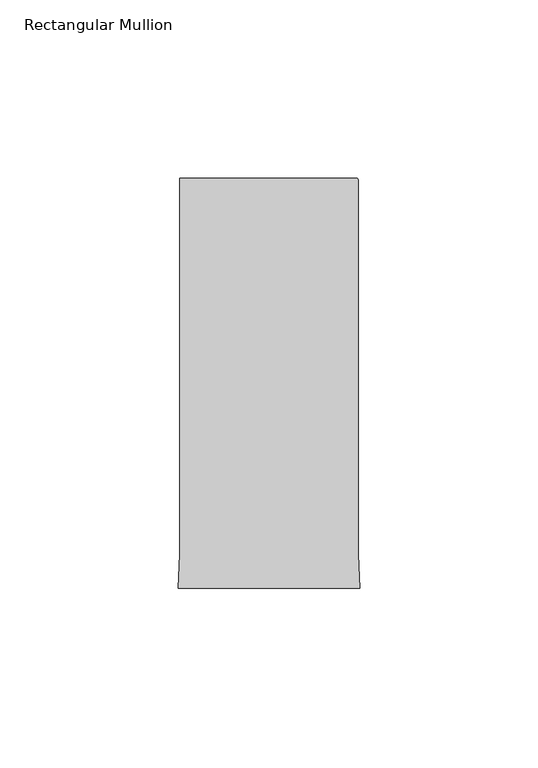
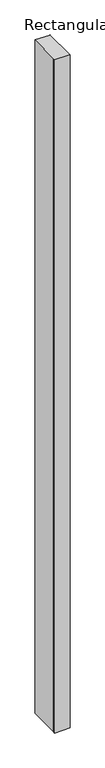
"""IFC4 building model written with IfcOpenShell, lengths in millimetres: member geometry, Rectangular Mullion."""

from ifc_helpers import new_model, si_unit, point, frame, frame_2d, origin, place, context, project, spatial, polyline, circle_curve, trimmed, segment, composite_curve, outline, extrude, source, transform, mapped, element, save


def rectangular_mullion_fbf051e9(model_context):
    return source(origin(), model_context, "Body", "SweptSolid", [
        extrude(outline(composite_curve([segment(polyline([(-25.0000004, 128.995434), (24.4999996, 128.995434)]), True, "CONTINUOUS"), segment(trimmed(circle_curve(frame_2d((24.4999996, 128.495434)), 0.5), [point((24.4999996, 128.995434))], [point((24.9999996, 128.495434))], False, "CARTESIAN"), True, "CONTINUOUS"), segment(polyline([(24.9999996, 128.495434), (24.9999996, 23.4857005), (25.4480462, 14.0), (-25.448047, 14.0), (-25.0000004, 23.4857005), (-25.0000004, 128.995434)]), True, "CONTINUOUS")], self_intersect=False)), frame((0.0, 0.0, -2352.9080722), z_axis=(0.0, 0.0, 1.0), x_axis=(1.0, 0.0, 0.0)), (0.0, 0.0, 1.0), 2352.9080722),
    ])


if __name__ == "__main__":
    model = new_model("IFC4")
    model_context = context("Model", 3, world=origin())
    ifc_project = project(units=[si_unit("LENGTHUNIT", "METRE", prefix="MILLI")], contexts=[model_context])
    site = spatial("IfcSite", under=ifc_project)
    building = spatial("IfcBuilding", under=site)
    placement = place(None, origin())
    rectangular_mullion_shape = rectangular_mullion_fbf051e9(model_context)
    element("IfcMember", 1, ObjectType="Rectangular Mullion", at=placement, inside=building, context=model_context, shape_type="MappedRepresentation", body=[
        mapped(rectangular_mullion_shape, transform((0.0, 0.0, 0.0), x_axis=(1.0, 0.0, 0.0), y_axis=(0.0, 1.0, 0.0), z_axis=(0.0, 0.0, 1.0))),
    ])
    save(model, "model.ifc")
